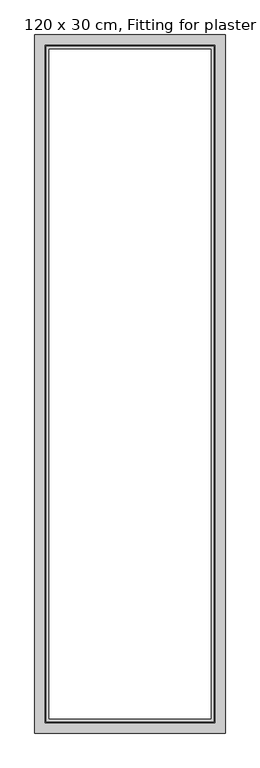
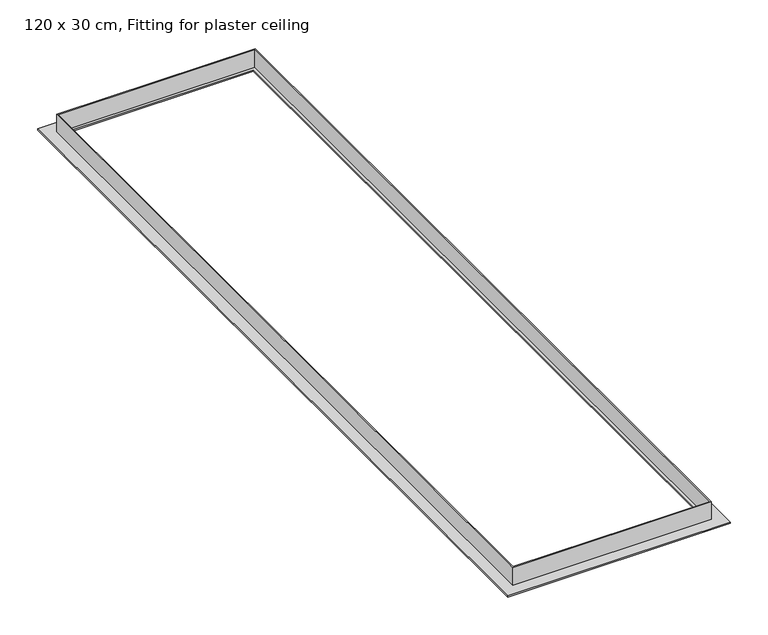
"""IFC4 building model written with IfcOpenShell, lengths in millimetres: light fixture geometry, 120 x 30 cm, Fitting for plaster ceiling."""

from ifc_helpers import new_model, si_unit, origin, place, context, project, spatial, faceted_brep, source, transform, mapped, element, save


def light_fixture_120_x_30_cm_fitting_for_plaster_ceiling_89943120(model_context):
    return source(origin(), model_context, "Body", "Brep", [
        faceted_brep([(149.0, 599.0, 28.0), (149.0, 599.0, 0.0), (149.0, -599.0, 0.0), (149.0, -599.0, 28.0), (144.0, 594.0, 0.0), (144.0, 594.0, -2.0), (144.0, -594.0, -2.0), (144.0, -594.0, 0.0), (169.0, 619.0, -2.0), (169.0, 619.0, 0.0), (169.0, -619.0, 0.0), (169.0, -619.0, -2.0), (151.0, 601.0, 0.0), (151.0, 601.0, 28.0), (151.0, -601.0, 28.0), (151.0, -601.0, 0.0), (-149.0, -599.0, 0.0), (-149.0, -599.0, 28.0), (-144.0, -594.0, -2.0), (-144.0, -594.0, 0.0), (-169.0, -619.0, 0.0), (-169.0, -619.0, -2.0), (-151.0, -601.0, 28.0), (-151.0, -601.0, 0.0), (-149.0, 599.0, 0.0), (-149.0, 599.0, 28.0), (-144.0, 594.0, -2.0), (-144.0, 594.0, 0.0), (-169.0, 619.0, 0.0), (-169.0, 619.0, -2.0), (-151.0, 601.0, 28.0), (-151.0, 601.0, 0.0)], [[[0, 1, 2, 3]], [[4, 5, 6, 7]], [[8, 9, 10, 11]], [[12, 13, 14, 15]], [[3, 2, 16, 17]], [[7, 6, 18, 19]], [[11, 10, 20, 21]], [[15, 14, 22, 23]], [[17, 16, 24, 25]], [[19, 18, 26, 27]], [[21, 20, 28, 29]], [[23, 22, 30, 31]], [[25, 24, 1, 0]], [[1, 24, 16, 2], [7, 19, 27, 4]], [[27, 26, 5, 4]], [[11, 21, 29, 8], [5, 26, 18, 6]], [[29, 28, 9, 8]], [[9, 28, 20, 10], [15, 23, 31, 12]], [[31, 30, 13, 12]], [[13, 30, 22, 14], [3, 17, 25, 0]]]),
    ])


if __name__ == "__main__":
    model = new_model("IFC4")
    model_context = context("Model", 3, world=origin())
    ifc_project = project(units=[si_unit("LENGTHUNIT", "METRE", prefix="MILLI")], contexts=[model_context])
    site = spatial("IfcSite", under=ifc_project)
    building = spatial("IfcBuilding", under=site)
    placement = place(None, origin())
    light_fixture_120_x_30_cm_fitting_for_plaster_ceiling_shape = light_fixture_120_x_30_cm_fitting_for_plaster_ceiling_89943120(model_context)
    element("IfcLightFixture", 1, ObjectType="120 x 30 cm, Fitting for plaster ceiling", at=placement, inside=building, context=model_context, shape_type="MappedRepresentation", body=[
        mapped(light_fixture_120_x_30_cm_fitting_for_plaster_ceiling_shape, transform((0.0, 0.0, 0.0), x_axis=(1.0, 0.0, 0.0), y_axis=(0.0, 1.0, 0.0), z_axis=(0.0, 0.0, 1.0))),
    ])
    save(model, "model.ifc")
